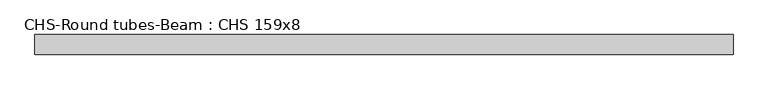
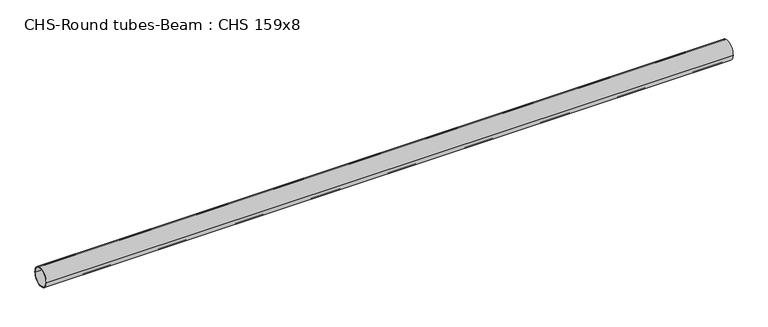
"""IFC4 building model written with IfcOpenShell, lengths in millimetres: beam geometry, CHS-Round tubes-Beam : CHS 159x8."""

from ifc_helpers import new_model, si_unit, point, frame, origin, origin_2d, place, context, project, spatial, circle_curve, trimmed, segment, composite_curve, outline, extrude, source, transform, mapped, element, save


def chs_round_tubes_beam_chs_159x8_e36aad0f(model_context):
    return source(origin(), model_context, "Body", "SweptSolid", [
        extrude(outline(composite_curve([segment(trimmed(circle_curve(origin_2d(), 79.5), [point((79.5, 0.0))], [point((-79.5, 0.0))], False, "CARTESIAN"), True, "CONTINUOUS"), segment(trimmed(circle_curve(origin_2d(), 79.5), [point((-79.5, 0.0))], [point((79.5, 0.0))], False, "CARTESIAN"), True, "CONTINUOUS")], self_intersect=False), holes=[composite_curve([segment(trimmed(circle_curve(origin_2d(), 71.5), [point((71.5, 0.0))], [point((-71.5, 0.0))], True, "CARTESIAN"), True, "CONTINUOUS"), segment(trimmed(circle_curve(origin_2d(), 71.5), [point((-71.5, 0.0))], [point((71.5, 0.0))], True, "CARTESIAN"), True, "CONTINUOUS")], self_intersect=False)]), frame((-2709.1811237, 0.0, 0.0), z_axis=(1.0, 0.0, 0.0), x_axis=(0.0, 1.0, 0.0)), (0.0, 0.0, 1.0), 5644.5400427),
    ])


if __name__ == "__main__":
    model = new_model("IFC4")
    model_context = context("Model", 3, world=origin())
    ifc_project = project(units=[si_unit("LENGTHUNIT", "METRE", prefix="MILLI")], contexts=[model_context])
    site = spatial("IfcSite", under=ifc_project)
    building = spatial("IfcBuilding", under=site)
    placement = place(None, origin())
    chs_round_tubes_beam_chs_159x8_shape = chs_round_tubes_beam_chs_159x8_e36aad0f(model_context)
    element("IfcBeam", 1, ObjectType="CHS-Round tubes-Beam : CHS 159x8", at=placement, inside=building, context=model_context, shape_type="MappedRepresentation", body=[
        mapped(chs_round_tubes_beam_chs_159x8_shape, transform((0.0, 0.0, 0.0), x_axis=(1.0, 0.0, 0.0), y_axis=(0.0, 1.0, 0.0), z_axis=(0.0, 0.0, 1.0))),
    ])
    save(model, "model.ifc")
